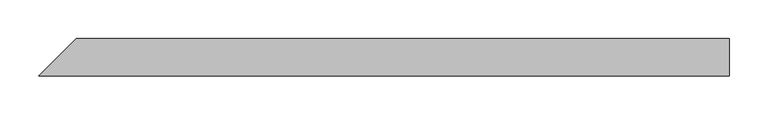
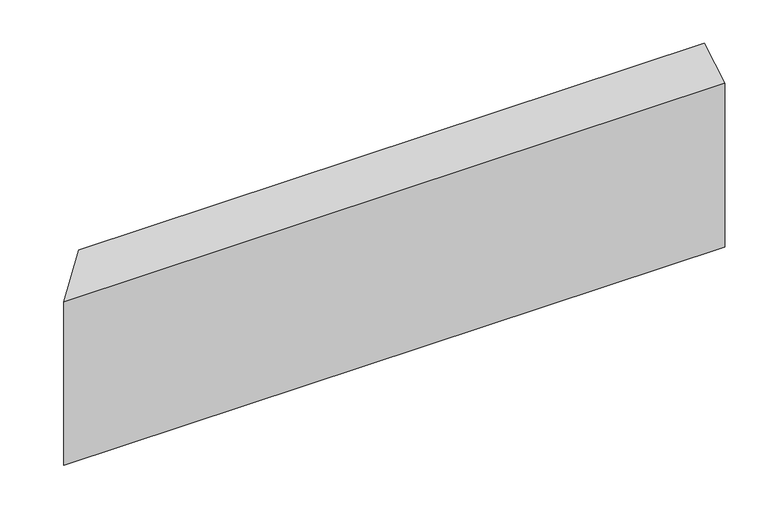
"""IFC4 building model written with IfcOpenShell, lengths in millimetres: beam geometry."""

import ifcopenshell
import ifcopenshell.guid

model = None  # the IFC model being written
_history = None  # IfcOwnerHistory: only IFC2X3 demands one
_inside = {}  # id of a spatial element -> (the spatial element, [elements in it])
_under = {}  # id of a project, library or spatial element -> (it, [spatial elements below it])
_declared = {}  # id of a project -> (the project, [libraries it declares])
_typed = {}  # id of a type object -> (the type object, [elements of that type])
_made_of = {}  # id of a material, layer set ... -> (it, [elements and type objects made of it])


def new_model(schema):
    """Start an empty IFC model of exactly this schema.

    Asked for "IFC4X3", IfcOpenShell would pick the latest addendum, in which some entities
    have other attributes; the version numbers below select the first issue.
    IFC2X3 requires an IfcOwnerHistory on every rooted entity: one is made here for all.
    """
    global model, _history
    if schema == "IFC4X3":
        model = ifcopenshell.file(schema_version=(4, 3, 0, 0))
    else:
        model = ifcopenshell.file(schema=schema)
    _inside.clear()
    _under.clear()
    _declared.clear()
    _typed.clear()
    _made_of.clear()
    _history = None
    if model.schema == "IFC2X3":
        org = make("IfcOrganization", Name="unknown")
        user = make(
            "IfcPersonAndOrganization",
            ThePerson=make("IfcPerson", FamilyName="unknown"),
            TheOrganization=org,
        )
        app = make(
            "IfcApplication",
            ApplicationDeveloper=org,
            Version="unknown",
            ApplicationFullName="unknown",
            ApplicationIdentifier="unknown",
        )
        _history = make(
            "IfcOwnerHistory",
            OwningUser=user,
            OwningApplication=app,
            ChangeAction="ADDED",
            CreationDate=0,
        )
    return model


def make(cls, **values):
    """One entity of the class cls with the attributes given. An attribute that is None is left unset."""
    return model.create_entity(
        cls, **{name: value for name, value in values.items() if value is not None}
    )


def rooted(cls, **values):
    """An entity with a GlobalId (a new one), such as an element, a storey or a relation."""
    return make(cls, GlobalId=ifcopenshell.guid.new(), OwnerHistory=_history, **values)


def si_unit(unit_type, name, prefix=None):
    """IfcSIUnit, for example si_unit("LENGTHUNIT", "METRE", prefix="MILLI")."""
    return make("IfcSIUnit", UnitType=unit_type, Prefix=prefix, Name=name)


def assignment(units):
    """IfcUnitAssignment: the units of a project."""
    return None if units is None else make("IfcUnitAssignment", Units=units)


def point(xyz):
    """IfcCartesianPoint."""
    return None if xyz is None else make("IfcCartesianPoint", Coordinates=xyz)


def direction(xyz):
    """IfcDirection."""
    return None if xyz is None else make("IfcDirection", DirectionRatios=xyz)


def frame(location, z_axis=None, x_axis=None):
    """IfcAxis2Placement3D, a coordinate frame: its origin and axes. An axis left out is left unset."""
    return make(
        "IfcAxis2Placement3D",
        Location=point(location),
        Axis=direction(z_axis),
        RefDirection=direction(x_axis),
    )


def origin():
    """The frame at (0, 0, 0) with its axes left unset."""
    return frame((0.0, 0.0, 0.0))


def place(relative_to, where):
    """IfcLocalPlacement: puts the frame where relative to a parent placement (None: the world)."""
    return make(
        "IfcLocalPlacement", PlacementRelTo=relative_to, RelativePlacement=where
    )


def context(
    kind, dimensions, precision=None, world=None, true_north=None, identifier=None
):
    """IfcGeometricRepresentationContext, for example the 3D "Model" context."""
    return make(
        "IfcGeometricRepresentationContext",
        ContextIdentifier=identifier,
        ContextType=kind,
        CoordinateSpaceDimension=dimensions,
        Precision=precision,
        WorldCoordinateSystem=world,
        TrueNorth=true_north,
    )


def project(units=None, contexts=None):
    """IfcProject with its units and contexts."""
    return rooted(
        "IfcProject",
        Name="project",
        RepresentationContexts=contexts,
        UnitsInContext=assignment(units),
    )


def spatial(cls, under=None, at=None, **own):
    """A site, building, storey or space (cls), placed at a placement, below another one or the project."""
    s = rooted(cls, ObjectPlacement=at, **own)
    if under is not None:
        _under.setdefault(under.id(), (under, []))[1].append(s)
    return s


def faces_of(points, faces, orient=None, outer=None):
    """IfcFace entities. A face is a list of loops; a loop is a list of indices into points, from 0.

    orient and outer hold one flag for each loop. By default every Orientation is true, the
    first loop of a face is its IfcFaceOuterBound and the others are IfcFaceBound.
    """
    made = []
    for i, loops in enumerate(faces):
        bounds = []
        for j, loop in enumerate(loops):
            is_outer = j == 0 if outer is None else outer[i][j]
            bounds.append(
                make(
                    "IfcFaceOuterBound" if is_outer else "IfcFaceBound",
                    Bound=make("IfcPolyLoop", Polygon=[points[k] for k in loop]),
                    Orientation=True if orient is None else orient[i][j],
                )
            )
        made.append(make("IfcFace", Bounds=bounds))
    return made


def faceted_brep(points, faces, orient=None, outer=None, voids=None):
    """IfcFacetedBrep: a solid bounded by flat faces; with voids (closed shells), ...WithVoids."""
    shared = [point(p) for p in points]
    hull = make("IfcClosedShell", CfsFaces=faces_of(shared, faces, orient, outer))
    if voids is None:
        return make("IfcFacetedBrep", Outer=hull)
    return make(
        "IfcFacetedBrepWithVoids",
        Outer=hull,
        Voids=[
            make(cls, CfsFaces=faces_of(shared, fs, o, b)) for cls, fs, o, b in voids
        ],
    )


def shape(context_of_items, identifier, shape_type, items):
    """IfcShapeRepresentation: the items that make up one representation, for example the "Body"."""
    return make(
        "IfcShapeRepresentation",
        ContextOfItems=context_of_items,
        RepresentationIdentifier=identifier,
        RepresentationType=shape_type,
        Items=items,
    )


def source(mapping_origin, context_of_items, identifier, shape_type, items):
    """IfcRepresentationMap: a shape defined once, which mapped items show again and again."""
    return make(
        "IfcRepresentationMap",
        MappingOrigin=mapping_origin,
        MappedRepresentation=shape(context_of_items, identifier, shape_type, items),
    )


def transform(
    local_origin,
    x_axis=None,
    y_axis=None,
    z_axis=None,
    scale=None,
    scale2=None,
    scale3=None,
    uniform=True,
):
    """IfcCartesianTransformationOperator3D, or its non-uniform kind. x_axis, y_axis, z_axis: its Axis1, 2, 3."""
    if uniform:
        return make(
            "IfcCartesianTransformationOperator3D",
            Axis1=direction(x_axis),
            Axis2=direction(y_axis),
            LocalOrigin=point(local_origin),
            Scale=scale,
            Axis3=direction(z_axis),
        )
    return make(
        "IfcCartesianTransformationOperator3DnonUniform",
        Axis1=direction(x_axis),
        Axis2=direction(y_axis),
        LocalOrigin=point(local_origin),
        Scale=scale,
        Axis3=direction(z_axis),
        Scale2=scale2,
        Scale3=scale3,
    )


def mapped(mapping_source, mapping_target):
    """IfcMappedItem: shows the shape of a source again, moved by a transform."""
    return make(
        "IfcMappedItem", MappingSource=mapping_source, MappingTarget=mapping_target
    )


def made_of(thing, what):
    """Note that an element or type object is made of a material, layer set ...; save() writes the relation."""
    if what is not None:
        _made_of.setdefault(what.id(), (what, []))[1].append(thing)
    return thing


def element(
    cls,
    number,
    at=None,
    inside=None,
    cuts=None,
    type_object=None,
    material=None,
    context=None,
    identifier="Body",
    shape_type=None,
    held_by="IfcProductDefinitionShape",
    body=None,
    shapes=None,
    **own,
):
    """One element of the class cls, such as IfcWall. Its Tag is "e" and its number.

    at: its placement. inside: the storey or other place that contains it. cuts: it is an
    opening in that element (IfcRelVoidsElement). A single representation is given by context,
    identifier, shape_type and body (its items); several are given by shapes. held_by: the class
    of the entity that holds the representations. save() writes the other relations.
    """
    e = rooted(cls, Tag="e%d" % number, ObjectPlacement=at, **own)
    if body is not None:
        shapes = [shape(context, identifier, shape_type, body)]
    if shapes is not None:
        e.Representation = make(held_by, Representations=shapes)
    if inside is not None:
        _inside.setdefault(inside.id(), (inside, []))[1].append(e)
    if cuts is not None:
        rooted(
            "IfcRelVoidsElement", RelatingBuildingElement=cuts, RelatedOpeningElement=e
        )
    if type_object is not None:
        _typed.setdefault(type_object.id(), (type_object, []))[1].append(e)
    return made_of(e, material)


def aggregate(whole, parts):
    """IfcRelAggregates: a whole, such as a stair, and the parts it consists of."""
    return rooted("IfcRelAggregates", RelatingObject=whole, RelatedObjects=parts)


def save(model, path):
    """Write the relations noted so far, then the file.

    IfcRelAggregates (storeys below a building ...), IfcRelContainedInSpatialStructure (elements
    in a storey), IfcRelDefinesByType, IfcRelAssociatesMaterial and IfcRelDeclares: one each for
    every whole, place, type object, material and project.
    """
    for whole, parts in _under.values():
        aggregate(whole, parts)
    for where, things in _inside.values():
        rooted(
            "IfcRelContainedInSpatialStructure",
            RelatedElements=things,
            RelatingStructure=where,
        )
    for kind, things in _typed.values():
        rooted("IfcRelDefinesByType", RelatedObjects=things, RelatingType=kind)
    for what, things in _made_of.values():
        rooted("IfcRelAssociatesMaterial", RelatedObjects=things, RelatingMaterial=what)
    for by, libraries in _declared.values():
        rooted("IfcRelDeclares", RelatingContext=by, RelatedDefinitions=libraries)
    model.write(path)


def beam_dec78cfe(model_context):
    return source(origin(), model_context, "Body", "Brep", [
        faceted_brep([(430.61369, -24.0, 101.7703666), (-454.61369, -24.0, 101.7703666), (-454.61369, -24.0, -129.7703666), (430.61369, -24.0, -129.7703666), (430.61369, 24.0, 129.7703666), (430.61369, 24.0, -101.7703666), (-406.61369, 24.0, -101.7703666), (-406.61369, 24.0, 129.7703666)], [[[0, 1, 2, 3]], [[4, 5, 6, 7]], [[5, 4, 0, 3]], [[6, 5, 3, 2]], [[7, 6, 2, 1]], [[4, 7, 1, 0]]]),
    ])


if __name__ == "__main__":
    model = new_model("IFC4")
    model_context = context("Model", 3, world=origin())
    ifc_project = project(units=[si_unit("LENGTHUNIT", "METRE", prefix="MILLI")], contexts=[model_context])
    site = spatial("IfcSite", under=ifc_project)
    building = spatial("IfcBuilding", under=site)
    placement = place(None, origin())
    beam_shape = beam_dec78cfe(model_context)
    element("IfcBeam", 1, at=placement, inside=building, context=model_context, shape_type="MappedRepresentation", body=[
        mapped(beam_shape, transform((0.0, 0.0, 0.0), x_axis=(1.0, 0.0, 0.0), y_axis=(0.0, 1.0, 0.0), z_axis=(0.0, 0.0, 1.0))),
    ])
    save(model, "model.ifc")
